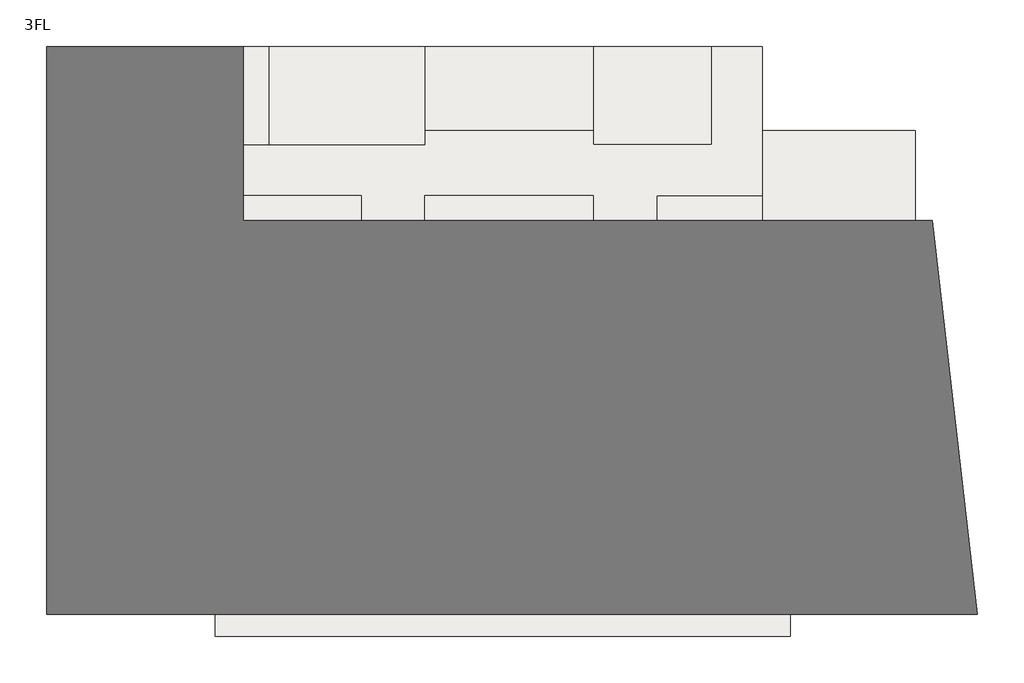
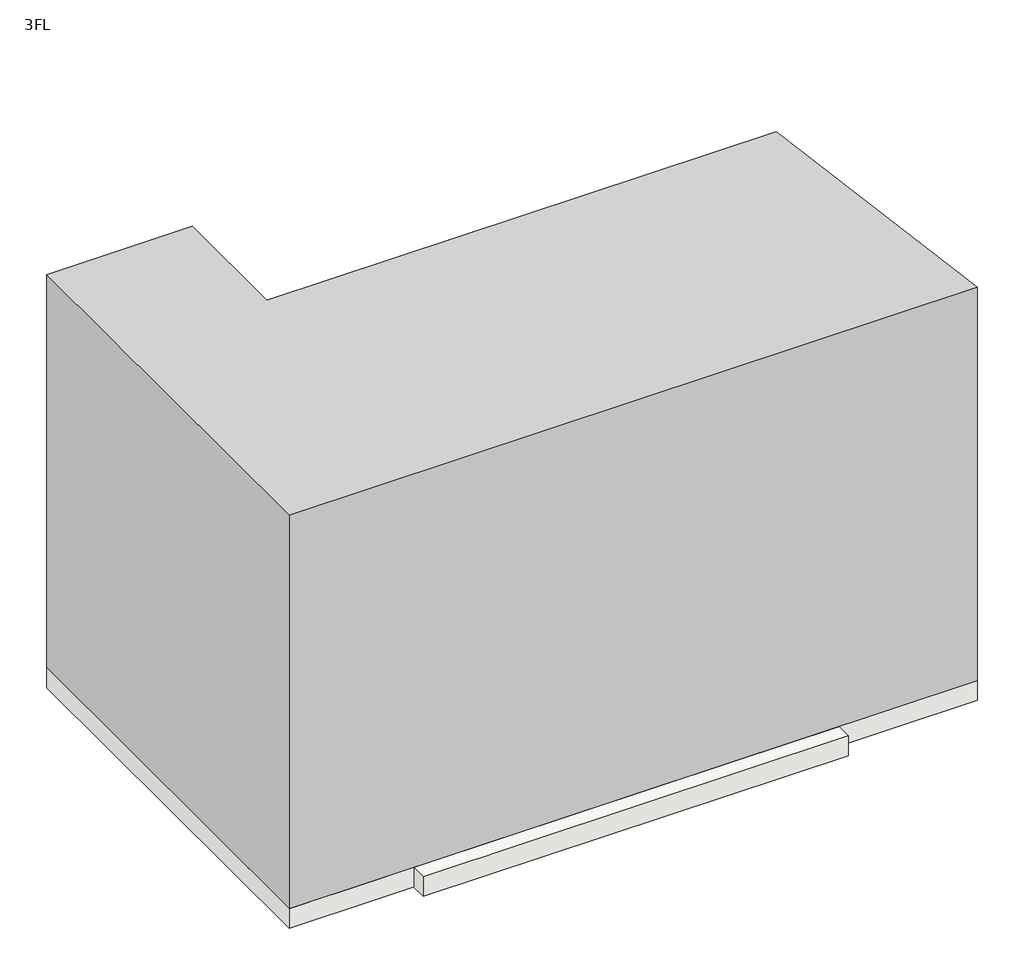
# One storey: 11 slabs, 1 proxy.
"""IFC4 building model written with IfcOpenShell, lengths in millimetres."""

from ifc_helpers import new_model, si_unit, frame, origin, place, context, project, spatial, polyline, outline, extrude, element, save

model = new_model("IFC4")

# Units and contexts
model_context = context("Model", 3, world=origin())
ifc_project = project(units=[si_unit("LENGTHUNIT", "METRE", prefix="MILLI")], contexts=[model_context])

# Site, building, storey
site = spatial("IfcSite", under=ifc_project)
building = spatial("IfcBuilding", under=site)
storey = spatial("IfcBuildingStorey", under=building, Name="3FL", Elevation=8600.0)

# Proxy
placement = place(None, origin())
element("IfcBuildingElementProxy", 1, Name="Mass", at=placement, inside=storey, context=model_context, shape_type="SweptSolid", body=[
    extrude(outline(polyline([(-28845.9784025, -3550.3131013), (-28845.9784025, 16649.6868987), (-21845.9784025, 16649.6868987), (-21845.9784025, 10449.6868987), (2661.9595949, 10449.6868987), (4261.9595949, -3550.3131013), (-28845.9784025, -3550.3131013)])), frame((0.0, 0.0, 8600.0), z_axis=(0.0, 0.0, 1.0), x_axis=(1.0, 0.0, 0.0)), (0.0, 0.0, 1.0), 20000.0),
])

# Slabs
element("IfcSlab", 2, at=placement, inside=storey, context=model_context, shape_type="SweptSolid", body=[
    extrude(outline(polyline([(2054.0215975, 13649.6868987), (2054.0215975, 10449.6868987), (-3395.9784025, 10449.6868987), (-3395.9784025, 13649.6868987), (2054.0215975, 13649.6868987)])), frame((0.0, 0.0, 7600.0), z_axis=(0.0, 0.0, 1.0), x_axis=(1.0, 0.0, 0.0)), (0.0, 0.0, 1.0), 1000.0),
])
element("IfcSlab", 3, at=placement, inside=storey, context=model_context, shape_type="SweptSolid", body=[
    extrude(outline(polyline([(-3395.9784025, 11349.6868987), (-3395.9784025, 10449.6868987), (-7145.9784025, 10449.6868987), (-7145.9784025, 11349.6868987), (-3395.9784025, 11349.6868987)])), frame((0.0, 0.0, 7600.0), z_axis=(0.0, 0.0, 1.0), x_axis=(1.0, 0.0, 0.0)), (0.0, 0.0, 1.0), 1000.0),
])
element("IfcSlab", 4, at=placement, inside=storey, context=model_context, shape_type="SweptSolid", body=[
    extrude(outline(polyline([(-9395.9784025, 11349.6868987), (-9395.9784025, 10449.6868987), (-15395.9784025, 10449.6868987), (-15395.9784025, 11349.6868987), (-9395.9784025, 11349.6868987)])), frame((0.0, 0.0, 7600.0), z_axis=(0.0, 0.0, 1.0), x_axis=(1.0, 0.0, 0.0)), (0.0, 0.0, 1.0), 1000.0),
])
element("IfcSlab", 5, at=placement, inside=storey, context=model_context, shape_type="SweptSolid", body=[
    extrude(outline(polyline([(-17645.9784025, 11349.6868987), (-17645.9784025, 10449.6868987), (-21845.9784025, 10449.6868987), (-21845.9784025, 11349.6868987), (-17645.9784025, 11349.6868987)])), frame((0.0, 0.0, 7600.0), z_axis=(0.0, 0.0, 1.0), x_axis=(1.0, 0.0, 0.0)), (0.0, 0.0, 1.0), 1000.0),
])
element("IfcSlab", 6, at=placement, inside=storey, context=model_context, shape_type="SweptSolid", body=[
    extrude(outline(polyline([(-20945.9784025, 16649.6868987), (-20945.9784025, 13149.6868987), (-21845.9784025, 13149.6868987), (-21845.9784025, 16649.6868987), (-20945.9784025, 16649.6868987)])), frame((0.0, 0.0, 7600.0), z_axis=(0.0, 0.0, 1.0), x_axis=(1.0, 0.0, 0.0)), (0.0, 0.0, 1.0), 1000.0),
])
element("IfcSlab", 7, at=placement, inside=storey, context=model_context, shape_type="SweptSolid", body=[
    extrude(outline(polyline([(-9395.9784025, 16649.6868987), (-9395.9784025, 13649.6868987), (-15395.9784025, 13649.6868987), (-15395.9784025, 16649.6868987), (-9395.9784025, 16649.6868987)])), frame((0.0, 0.0, 7600.0), z_axis=(0.0, 0.0, 1.0), x_axis=(1.0, 0.0, 0.0)), (0.0, 0.0, 1.0), 1000.0),
])
element("IfcSlab", 8, at=placement, inside=storey, context=model_context, shape_type="SweptSolid", body=[
    extrude(outline(polyline([(-5195.9784025, 16649.6868987), (-5195.9784025, 13149.6868987), (-9395.9784025, 13149.6868987), (-9395.9784025, 16649.6868987), (-5195.9784025, 16649.6868987)])), frame((0.0, 0.0, 7600.0), z_axis=(0.0, 0.0, 1.0), x_axis=(1.0, 0.0, 0.0)), (0.0, 0.0, 1.0), 1000.0),
])
element("IfcSlab", 9, at=placement, inside=storey, context=model_context, shape_type="SweptSolid", body=[
    extrude(outline(polyline([(-15395.9784025, 16649.6868987), (-15395.9784025, 13149.6868987), (-20945.9784025, 13149.6868987), (-20945.9784025, 16649.6868987), (-15395.9784025, 16649.6868987)])), frame((0.0, 0.0, 7600.0), z_axis=(0.0, 0.0, 1.0), x_axis=(1.0, 0.0, 0.0)), (0.0, 0.0, 1.0), 1000.0),
])
element("IfcSlab", 10, at=placement, inside=storey, context=model_context, shape_type="SweptSolid", body=[
    extrude(outline(polyline([(-28845.9784025, -3550.3131013), (-28845.9784025, 16649.6868987), (-21845.9784025, 16649.6868987), (-21845.9784025, 10449.6868987), (2661.9595949, 10449.6868987), (4261.9595949, -3550.3131013), (-28845.9784025, -3550.3131013)])), frame((0.0, 0.0, 7600.0), z_axis=(0.0, 0.0, 1.0), x_axis=(1.0, 0.0, 0.0)), (0.0, 0.0, 1.0), 1000.0),
])
element("IfcSlab", 11, at=placement, inside=storey, context=model_context, shape_type="SweptSolid", body=[
    extrude(outline(polyline([(-15395.9784025, 13149.6868987), (-15395.9784025, 13649.6868987), (-9395.9784025, 13649.6868987), (-9395.9784025, 13149.6868987), (-5195.9784025, 13149.6868987), (-5195.9784025, 16649.6868987), (-3395.9784025, 16649.6868987), (-3395.9784025, 11349.6868987), (-7145.9784025, 11349.6868987), (-7145.9784025, 10449.6868987), (-9395.9784025, 10449.6868987), (-9395.9784025, 11349.6868987), (-15395.9784025, 11349.6868987), (-15395.9784025, 10449.6868987), (-17645.9784025, 10449.6868987), (-17645.9784025, 11349.6868987), (-21845.9784025, 11349.6868987), (-21845.9784025, 13149.6868987), (-15395.9784025, 13149.6868987)])), frame((0.0, 0.0, 7600.0), z_axis=(0.0, 0.0, 1.0), x_axis=(1.0, 0.0, 0.0)), (0.0, 0.0, 1.0), 1000.0),
])
element("IfcSlab", 12, at=placement, inside=storey, context=model_context, shape_type="SweptSolid", body=[
    extrude(outline(polyline([(-22845.9784025, -3550.3131013), (-2395.9784025, -3550.3131013), (-2395.9784025, -4332.681602), (-22845.9784025, -4332.681602), (-22845.9784025, -3550.3131013)])), frame((0.0, 0.0, 7600.0), z_axis=(0.0, 0.0, 1.0), x_axis=(1.0, 0.0, 0.0)), (0.0, 0.0, 1.0), 1000.0),
])

save(model, "model.ifc")
